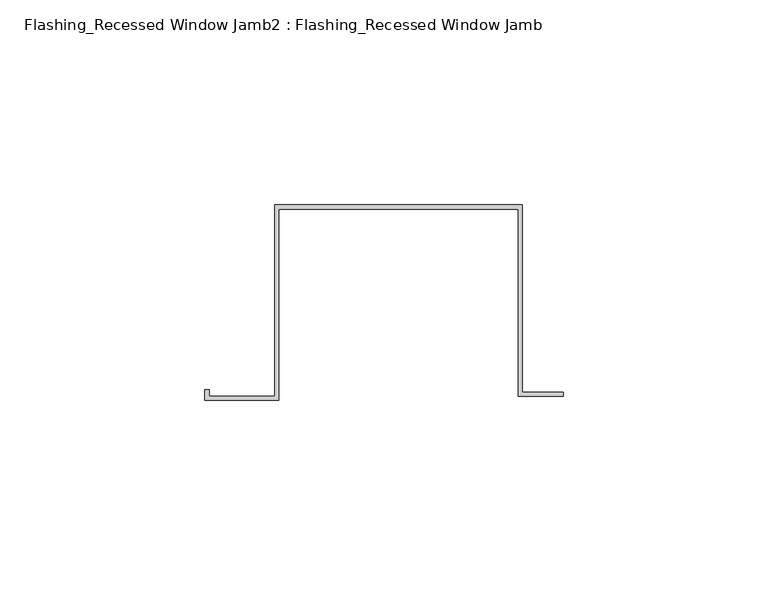
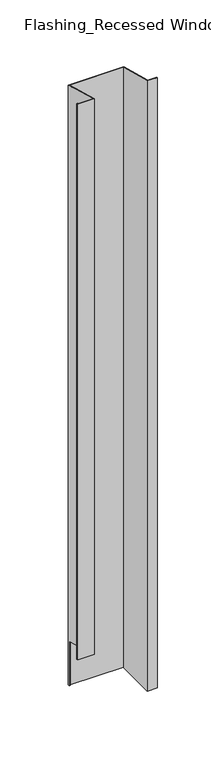
"""IFC4 building model written with IfcOpenShell, lengths in millimetres: proxy geometry, Flashing_Recessed Window Jamb2 : Flashing_Recessed Window Jamb."""

from ifc_helpers import new_model, si_unit, origin, place, context, project, spatial, faceted_brep, source, transform, mapped, element, save


def flashing_recessed_window_jamb2_flashing_recessed_window_jamb_a7a8ac66(model_context):
    return source(origin(), model_context, "Body", "Brep", [
        faceted_brep([(9685.8470781, 612.0273812, -1036.7382524), (9685.8470781, 657.7344915, -1036.7382524), (9627.4791786, 657.7344915, -1036.7382524), (9627.4791786, 656.8026399, -1036.7382524), (9626.4791786, 656.8026399, -1036.7382524), (9626.4791786, 658.7344915, -1036.7382524), (9686.8470781, 658.7344915, -1036.7382524), (9686.8470781, 613.0273812, -1036.7382524), (9696.8470781, 613.0273812, -1036.7382524), (9696.8470781, 612.0273812, -1036.7382524), (9686.8470781, 658.7344915, -343.2151173), (9686.8470781, 613.0273812, -330.967934), (9626.4791786, 658.7344915, -343.2151173), (9626.4791786, 656.8026399, -985.662203), (9626.4791786, 612.0490096, -973.6705039), (9626.4791786, 612.0490096, -330.7057801), (9610.4479286, 612.0490096, -330.7057801), (9610.4479286, 612.0490096, -973.6705039), (9610.4479286, 613.5934881, -331.1196219), (9610.4479286, 613.5934881, -974.0843457), (9609.4479286, 613.5934881, -331.1196219), (9609.4479286, 613.5934881, -974.0843457), (9609.4479286, 611.0490096, -330.4378309), (9609.4479286, 611.0490096, -973.4025548), (9627.4791786, 611.0490096, -330.4378309), (9627.4791786, 611.0490096, -973.4025548), (9627.4791786, 657.7344915, -342.9471681), (9627.4791786, 656.8026399, -985.662203), (9685.8470781, 657.7344915, -342.9471681), (9685.8470781, 612.0273812, -330.6999848), (9696.8470781, 612.0273812, -330.6999848), (9696.8470781, 613.0273812, -330.967934)], [[[0, 1, 2, 3, 4, 5, 6, 7, 8, 9]], [[7, 6, 10, 11]], [[6, 5, 12, 10]], [[12, 5, 4, 13, 14, 15]], [[16, 15, 14, 17]], [[18, 16, 17, 19]], [[20, 18, 19, 21]], [[22, 20, 21, 23]], [[24, 22, 23, 25]], [[2, 26, 24, 25, 27, 3]], [[2, 1, 28, 26]], [[1, 0, 29, 28]], [[0, 9, 30, 29]], [[9, 8, 31, 30]], [[8, 7, 11, 31]], [[11, 10, 12, 15, 16, 18, 20, 22, 24, 26, 28, 29, 30, 31]], [[13, 27, 25, 23, 21, 19, 17, 14]], [[27, 13, 4, 3]]]),
    ])


if __name__ == "__main__":
    model = new_model("IFC4")
    model_context = context("Model", 3, world=origin())
    ifc_project = project(units=[si_unit("LENGTHUNIT", "METRE", prefix="MILLI")], contexts=[model_context])
    site = spatial("IfcSite", under=ifc_project)
    building = spatial("IfcBuilding", under=site)
    placement = place(None, origin())
    flashing_recessed_window_jamb2_flashing_recessed_window_jamb_shape = flashing_recessed_window_jamb2_flashing_recessed_window_jamb_a7a8ac66(model_context)
    element("IfcBuildingElementProxy", 1, Name="Flashing_Recessed Window Jamb2 : Flashing_Recessed Window Jamb", ObjectType="Flashing_Recessed Window Jamb2 : Flashing_Recessed Window Jamb", at=placement, inside=building, context=model_context, shape_type="MappedRepresentation", body=[
        mapped(flashing_recessed_window_jamb2_flashing_recessed_window_jamb_shape, transform((0.0, 0.0, 0.0), x_axis=(1.0, 0.0, 0.0), y_axis=(0.0, 1.0, 0.0), z_axis=(0.0, 0.0, 1.0))),
    ])
    save(model, "model.ifc")
